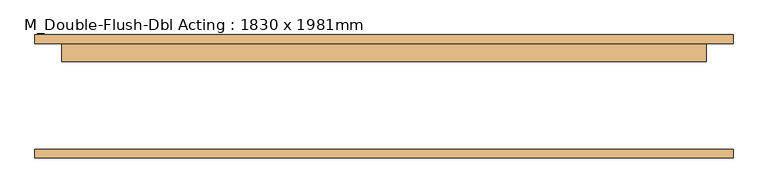
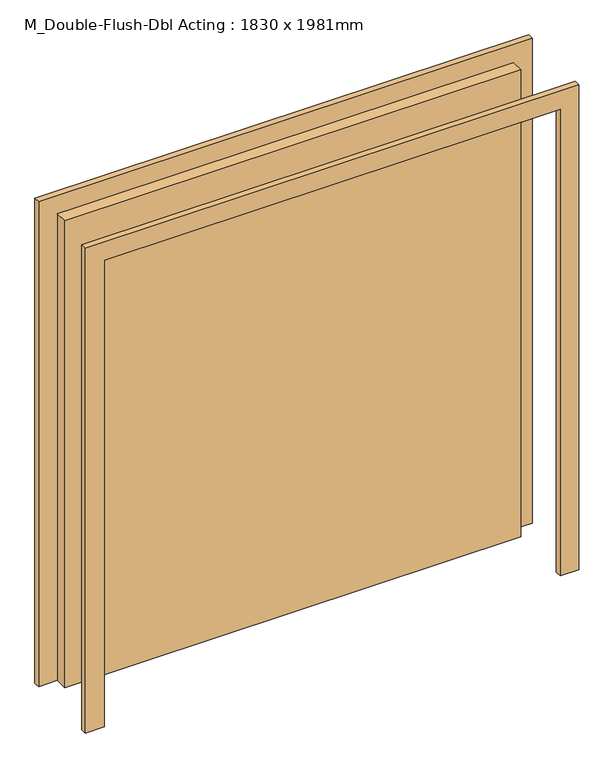
"""IFC4 building model written with IfcOpenShell, lengths in millimetres: door geometry, M_Double-Flush-Dbl Acting : 1830 x 1981mm."""

import ifcopenshell
import ifcopenshell.guid

model = None  # the IFC model being written
_history = None  # IfcOwnerHistory: only IFC2X3 demands one
_inside = {}  # id of a spatial element -> (the spatial element, [elements in it])
_under = {}  # id of a project, library or spatial element -> (it, [spatial elements below it])
_declared = {}  # id of a project -> (the project, [libraries it declares])
_typed = {}  # id of a type object -> (the type object, [elements of that type])
_made_of = {}  # id of a material, layer set ... -> (it, [elements and type objects made of it])


def new_model(schema):
    """Start an empty IFC model of exactly this schema.

    Asked for "IFC4X3", IfcOpenShell would pick the latest addendum, in which some entities
    have other attributes; the version numbers below select the first issue.
    IFC2X3 requires an IfcOwnerHistory on every rooted entity: one is made here for all.
    """
    global model, _history
    if schema == "IFC4X3":
        model = ifcopenshell.file(schema_version=(4, 3, 0, 0))
    else:
        model = ifcopenshell.file(schema=schema)
    _inside.clear()
    _under.clear()
    _declared.clear()
    _typed.clear()
    _made_of.clear()
    _history = None
    if model.schema == "IFC2X3":
        org = make("IfcOrganization", Name="unknown")
        user = make(
            "IfcPersonAndOrganization",
            ThePerson=make("IfcPerson", FamilyName="unknown"),
            TheOrganization=org,
        )
        app = make(
            "IfcApplication",
            ApplicationDeveloper=org,
            Version="unknown",
            ApplicationFullName="unknown",
            ApplicationIdentifier="unknown",
        )
        _history = make(
            "IfcOwnerHistory",
            OwningUser=user,
            OwningApplication=app,
            ChangeAction="ADDED",
            CreationDate=0,
        )
    return model


def make(cls, **values):
    """One entity of the class cls with the attributes given. An attribute that is None is left unset."""
    return model.create_entity(
        cls, **{name: value for name, value in values.items() if value is not None}
    )


def rooted(cls, **values):
    """An entity with a GlobalId (a new one), such as an element, a storey or a relation."""
    return make(cls, GlobalId=ifcopenshell.guid.new(), OwnerHistory=_history, **values)


def si_unit(unit_type, name, prefix=None):
    """IfcSIUnit, for example si_unit("LENGTHUNIT", "METRE", prefix="MILLI")."""
    return make("IfcSIUnit", UnitType=unit_type, Prefix=prefix, Name=name)


def assignment(units):
    """IfcUnitAssignment: the units of a project."""
    return None if units is None else make("IfcUnitAssignment", Units=units)


def point(xyz):
    """IfcCartesianPoint."""
    return None if xyz is None else make("IfcCartesianPoint", Coordinates=xyz)


def direction(xyz):
    """IfcDirection."""
    return None if xyz is None else make("IfcDirection", DirectionRatios=xyz)


def frame(location, z_axis=None, x_axis=None):
    """IfcAxis2Placement3D, a coordinate frame: its origin and axes. An axis left out is left unset."""
    return make(
        "IfcAxis2Placement3D",
        Location=point(location),
        Axis=direction(z_axis),
        RefDirection=direction(x_axis),
    )


def origin():
    """The frame at (0, 0, 0) with its axes left unset."""
    return frame((0.0, 0.0, 0.0))


def origin_with_axes():
    """The frame at (0, 0, 0) with the z axis (0, 0, 1) and the x axis (1, 0, 0) written out."""
    return frame((0.0, 0.0, 0.0), z_axis=(0.0, 0.0, 1.0), x_axis=(1.0, 0.0, 0.0))


def place(relative_to, where):
    """IfcLocalPlacement: puts the frame where relative to a parent placement (None: the world)."""
    return make(
        "IfcLocalPlacement", PlacementRelTo=relative_to, RelativePlacement=where
    )


def context(
    kind, dimensions, precision=None, world=None, true_north=None, identifier=None
):
    """IfcGeometricRepresentationContext, for example the 3D "Model" context."""
    return make(
        "IfcGeometricRepresentationContext",
        ContextIdentifier=identifier,
        ContextType=kind,
        CoordinateSpaceDimension=dimensions,
        Precision=precision,
        WorldCoordinateSystem=world,
        TrueNorth=true_north,
    )


def project(units=None, contexts=None):
    """IfcProject with its units and contexts."""
    return rooted(
        "IfcProject",
        Name="project",
        RepresentationContexts=contexts,
        UnitsInContext=assignment(units),
    )


def spatial(cls, under=None, at=None, **own):
    """A site, building, storey or space (cls), placed at a placement, below another one or the project."""
    s = rooted(cls, ObjectPlacement=at, **own)
    if under is not None:
        _under.setdefault(under.id(), (under, []))[1].append(s)
    return s


def polyline(points):
    """IfcPolyline through the points."""
    return make("IfcPolyline", Points=[point(p) for p in points])


def outline(outer, holes=None, kind="AREA"):
    """IfcArbitraryClosedProfileDef: a profile drawn as a closed curve; with holes, ...WithVoids."""
    if holes is None:
        return make("IfcArbitraryClosedProfileDef", ProfileType=kind, OuterCurve=outer)
    return make(
        "IfcArbitraryProfileDefWithVoids",
        ProfileType=kind,
        OuterCurve=outer,
        InnerCurves=holes,
    )


def extrude(swept, where, along, depth):
    """IfcExtrudedAreaSolid: the profile swept, set in the frame where, extruded along a direction by depth."""
    return make(
        "IfcExtrudedAreaSolid",
        SweptArea=swept,
        Position=where,
        ExtrudedDirection=direction(along),
        Depth=depth,
    )


def shape(context_of_items, identifier, shape_type, items):
    """IfcShapeRepresentation: the items that make up one representation, for example the "Body"."""
    return make(
        "IfcShapeRepresentation",
        ContextOfItems=context_of_items,
        RepresentationIdentifier=identifier,
        RepresentationType=shape_type,
        Items=items,
    )


def source(mapping_origin, context_of_items, identifier, shape_type, items):
    """IfcRepresentationMap: a shape defined once, which mapped items show again and again."""
    return make(
        "IfcRepresentationMap",
        MappingOrigin=mapping_origin,
        MappedRepresentation=shape(context_of_items, identifier, shape_type, items),
    )


def transform(
    local_origin,
    x_axis=None,
    y_axis=None,
    z_axis=None,
    scale=None,
    scale2=None,
    scale3=None,
    uniform=True,
):
    """IfcCartesianTransformationOperator3D, or its non-uniform kind. x_axis, y_axis, z_axis: its Axis1, 2, 3."""
    if uniform:
        return make(
            "IfcCartesianTransformationOperator3D",
            Axis1=direction(x_axis),
            Axis2=direction(y_axis),
            LocalOrigin=point(local_origin),
            Scale=scale,
            Axis3=direction(z_axis),
        )
    return make(
        "IfcCartesianTransformationOperator3DnonUniform",
        Axis1=direction(x_axis),
        Axis2=direction(y_axis),
        LocalOrigin=point(local_origin),
        Scale=scale,
        Axis3=direction(z_axis),
        Scale2=scale2,
        Scale3=scale3,
    )


def mapped(mapping_source, mapping_target):
    """IfcMappedItem: shows the shape of a source again, moved by a transform."""
    return make(
        "IfcMappedItem", MappingSource=mapping_source, MappingTarget=mapping_target
    )


def made_of(thing, what):
    """Note that an element or type object is made of a material, layer set ...; save() writes the relation."""
    if what is not None:
        _made_of.setdefault(what.id(), (what, []))[1].append(thing)
    return thing


def element(
    cls,
    number,
    at=None,
    inside=None,
    cuts=None,
    type_object=None,
    material=None,
    context=None,
    identifier="Body",
    shape_type=None,
    held_by="IfcProductDefinitionShape",
    body=None,
    shapes=None,
    **own,
):
    """One element of the class cls, such as IfcWall. Its Tag is "e" and its number.

    at: its placement. inside: the storey or other place that contains it. cuts: it is an
    opening in that element (IfcRelVoidsElement). A single representation is given by context,
    identifier, shape_type and body (its items); several are given by shapes. held_by: the class
    of the entity that holds the representations. save() writes the other relations.
    """
    e = rooted(cls, Tag="e%d" % number, ObjectPlacement=at, **own)
    if body is not None:
        shapes = [shape(context, identifier, shape_type, body)]
    if shapes is not None:
        e.Representation = make(held_by, Representations=shapes)
    if inside is not None:
        _inside.setdefault(inside.id(), (inside, []))[1].append(e)
    if cuts is not None:
        rooted(
            "IfcRelVoidsElement", RelatingBuildingElement=cuts, RelatedOpeningElement=e
        )
    if type_object is not None:
        _typed.setdefault(type_object.id(), (type_object, []))[1].append(e)
    return made_of(e, material)


def aggregate(whole, parts):
    """IfcRelAggregates: a whole, such as a stair, and the parts it consists of."""
    return rooted("IfcRelAggregates", RelatingObject=whole, RelatedObjects=parts)


def save(model, path):
    """Write the relations noted so far, then the file.

    IfcRelAggregates (storeys below a building ...), IfcRelContainedInSpatialStructure (elements
    in a storey), IfcRelDefinesByType, IfcRelAssociatesMaterial and IfcRelDeclares: one each for
    every whole, place, type object, material and project.
    """
    for whole, parts in _under.values():
        aggregate(whole, parts)
    for where, things in _inside.values():
        rooted(
            "IfcRelContainedInSpatialStructure",
            RelatedElements=things,
            RelatingStructure=where,
        )
    for kind, things in _typed.values():
        rooted("IfcRelDefinesByType", RelatedObjects=things, RelatingType=kind)
    for what, things in _made_of.values():
        rooted("IfcRelAssociatesMaterial", RelatedObjects=things, RelatingMaterial=what)
    for by, libraries in _declared.values():
        rooted("IfcRelDeclares", RelatingContext=by, RelatedDefinitions=libraries)
    model.write(path)


def m_double_flush_dbl_acting_1830_x_1981mm_91e996fc(model_context):
    return source(origin(), model_context, "Body", "SweptSolid", [
        extrude(outline(polyline([(2057.0, -991.0), (0.0, -991.0), (0.0, -915.0), (1981.0, -915.0), (1981.0, 915.0), (0.0, 915.0), (0.0, 991.0), (2057.0, 991.0), (2057.0, -991.0)])), frame((0.0, 150.4, 0.0), z_axis=(0.0, 1.0, 0.0), x_axis=(0.0, 0.0, 1.0)), (0.0, 0.0, 1.0), 25.0),
        extrude(outline(polyline([(-915.0, 150.0), (915.0, 150.0), (915.0, 99.0), (-915.0, 99.0), (-915.0, 150.0)])), origin_with_axes(), (0.0, 0.0, 1.0), 1981.0),
        extrude(outline(polyline([(1981.0, -915.0), (1981.0, 915.0), (0.0, 915.0), (0.0, 991.0), (2057.0, 991.0), (2057.0, -991.0), (0.0, -991.0), (0.0, -915.0), (1981.0, -915.0)])), frame((0.0, -175.0, 0.0), z_axis=(0.0, 1.0, 0.0), x_axis=(0.0, 0.0, 1.0)), (0.0, 0.0, 1.0), 25.0),
    ])


if __name__ == "__main__":
    model = new_model("IFC4")
    model_context = context("Model", 3, world=origin())
    ifc_project = project(units=[si_unit("LENGTHUNIT", "METRE", prefix="MILLI")], contexts=[model_context])
    site = spatial("IfcSite", under=ifc_project)
    building = spatial("IfcBuilding", under=site)
    placement = place(None, origin())
    m_double_flush_dbl_acting_1830_x_1981mm_shape = m_double_flush_dbl_acting_1830_x_1981mm_91e996fc(model_context)
    element("IfcDoor", 1, ObjectType="M_Double-Flush-Dbl Acting : 1830 x 1981mm", at=placement, inside=building, context=model_context, shape_type="MappedRepresentation", body=[
        mapped(m_double_flush_dbl_acting_1830_x_1981mm_shape, transform((0.0, 0.0, 0.0), x_axis=(1.0, 0.0, 0.0), y_axis=(0.0, 1.0, 0.0), z_axis=(0.0, 0.0, 1.0))),
    ])
    save(model, "model.ifc")
